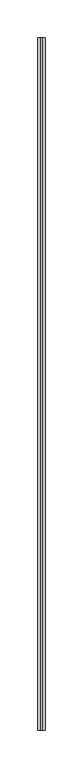
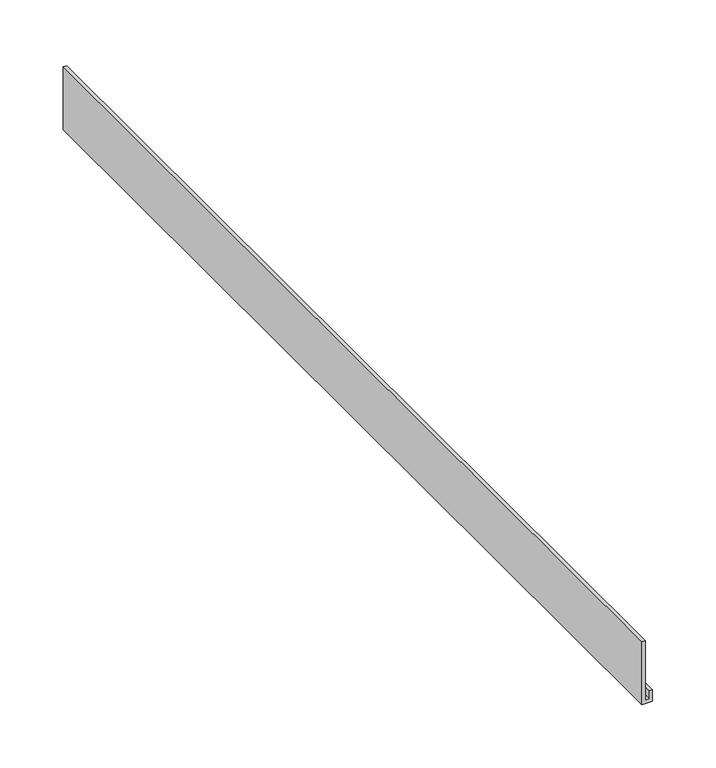
"""IFC4 building model written with IfcOpenShell, lengths in millimetres: proxy geometry."""

from ifc_helpers import new_model, si_unit, frame, origin, place, context, project, spatial, polyline, outline, extrude, source, transform, mapped, element, save


def generic_models_99b2c3e1(model_context):
    return source(origin(), model_context, "Body", "SweptSolid", [
        extrude(outline(polyline([(2974.7231136, 38250.6832595), (2974.7231136, 38247.2359013), (3031.8731136, 38247.2359013), (3031.8731136, 38244.011435), (2971.4100269, 38244.011435), (2971.4100269, 38253.5773517), (2982.4433384, 38253.5773517), (2982.4433384, 38250.6832595), (2974.7231136, 38250.6832595)])), frame((0.0, -19576.8264268, 0.0), z_axis=(0.0, 1.0, 0.0), x_axis=(0.0, 0.0, 1.0)), (0.0, 0.0, 1.0), 914.4),
    ])


if __name__ == "__main__":
    model = new_model("IFC4")
    model_context = context("Model", 3, world=origin())
    ifc_project = project(units=[si_unit("LENGTHUNIT", "METRE", prefix="MILLI")], contexts=[model_context])
    site = spatial("IfcSite", under=ifc_project)
    building = spatial("IfcBuilding", under=site)
    placement = place(None, origin())
    generic_models_shape = generic_models_99b2c3e1(model_context)
    element("IfcBuildingElementProxy", 1, Name="Generic Models", at=placement, inside=building, context=model_context, shape_type="MappedRepresentation", body=[
        mapped(generic_models_shape, transform((0.0, 0.0, 0.0), x_axis=(1.0, 0.0, 0.0), y_axis=(0.0, 1.0, 0.0), z_axis=(0.0, 0.0, 1.0))),
    ])
    save(model, "model.ifc")
